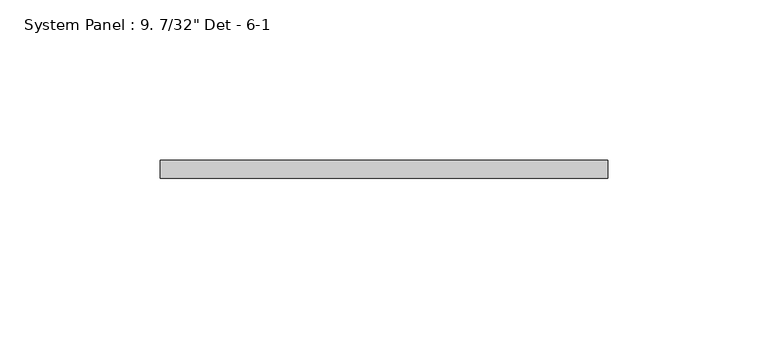
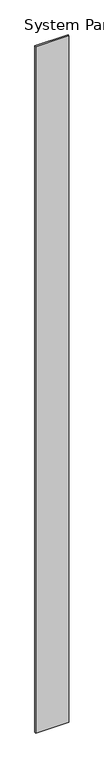
"""IFC4 building model written with IfcOpenShell, lengths in millimetres: plate geometry."""

from ifc_helpers import new_model, si_unit, origin, origin_with_axes, place, context, project, spatial, polyline, outline, extrude, source, transform, mapped, element, save


def plate_c73ca901(model_context):
    return source(origin(), model_context, "Body", "SweptSolid", [
        extrude(outline(polyline([(69.85, 7.9375), (-69.85, 7.9375), (-69.85, 13.49375), (69.85, 13.49375), (69.85, 7.9375)])), origin_with_axes(), (0.0, 0.0, 1.0), 3048.0),
    ])


if __name__ == "__main__":
    model = new_model("IFC4")
    model_context = context("Model", 3, world=origin())
    ifc_project = project(units=[si_unit("LENGTHUNIT", "METRE", prefix="MILLI")], contexts=[model_context])
    site = spatial("IfcSite", under=ifc_project)
    building = spatial("IfcBuilding", under=site)
    placement = place(None, origin())
    plate_shape = plate_c73ca901(model_context)
    element("IfcPlate", 1, ObjectType="System Panel : 9. 7/32\" Det - 6-1", at=placement, inside=building, context=model_context, shape_type="MappedRepresentation", body=[
        mapped(plate_shape, transform((0.0, 0.0, 0.0), x_axis=(1.0, 0.0, 0.0), y_axis=(0.0, 1.0, 0.0), z_axis=(0.0, 0.0, 1.0))),
    ])
    save(model, "model.ifc")
